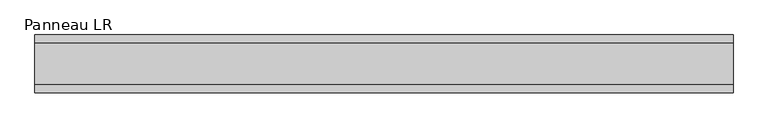
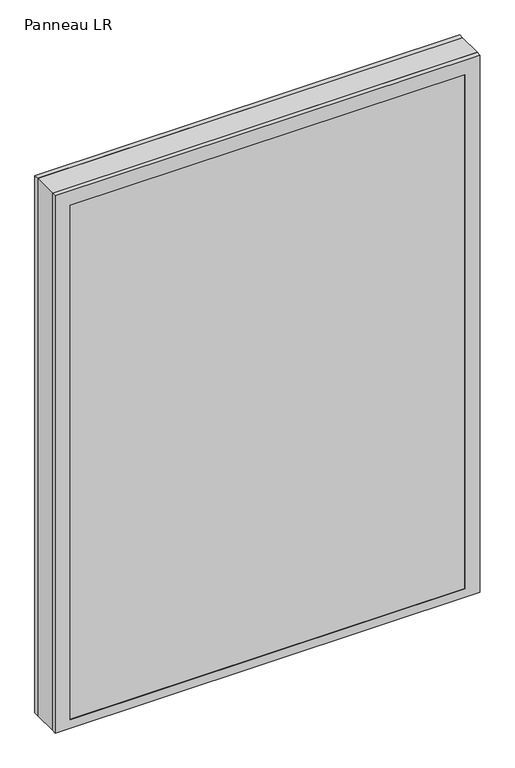
"""IFC4 building model written with IfcOpenShell, lengths in millimetres: plate geometry, Panneau LR."""

from ifc_helpers import new_model, si_unit, frame, origin, place, context, project, spatial, polyline, outline, extrude, faceted_brep, source, transform, mapped, element, save


def panneau_lr_f3e24894(model_context):
    return source(origin(), model_context, "Body", "SolidModel", [
        faceted_brep([(-544.1875001, 33.0, 1453.5), (-544.1875001, 45.0, 1453.5), (-544.1875001, 45.0, 0.0), (-544.1875001, 33.0, 0.0), (544.1875001, 33.0, 0.0), (544.1875001, 45.0, 0.0), (544.1875001, 45.0, 1453.5), (544.1875001, 33.0, 1453.5), (-505.1875001, 45.0, 1414.5), (-505.1875001, 45.0, 23.0), (505.1875001, 45.0, 23.0), (505.1875001, 45.0, 1414.5), (505.1875001, 43.8, 1414.5), (-505.1875001, 43.8, 1414.5), (-520.1875001, 43.8, 1429.5), (-520.1875001, 43.8, 8.0), (520.1875001, 43.8, 8.0), (520.1875001, 43.8, 1429.5), (505.1875001, 43.8, 23.0), (-505.1875001, 43.8, 23.0), (520.1875001, 33.0, 1429.5), (-520.1875001, 33.0, 1429.5), (520.1875001, 33.0, 8.0), (-520.1875001, 33.0, 8.0)], [[[0, 1, 2, 3]], [[4, 5, 6, 7]], [[6, 1, 0, 7]], [[2, 1, 6, 5], [8, 9, 10, 11]], [[8, 11, 12, 13]], [[14, 15, 16, 17], [13, 12, 18, 19]], [[14, 17, 20, 21]], [[0, 3, 4, 7], [20, 22, 23, 21]], [[23, 22, 16, 15]], [[19, 18, 10, 9]], [[4, 3, 2, 5]], [[21, 23, 15, 14]], [[13, 19, 9, 8]], [[18, 12, 11, 10]], [[22, 20, 17, 16]]]),
        faceted_brep([(-544.1875001, -33.0, 0.0), (-544.1875001, -45.0, 0.0), (-544.1875001, -45.0, 1453.5), (-544.1875001, -33.0, 1453.5), (544.1875001, -45.0, 0.0), (544.1875001, -33.0, 0.0), (544.1875001, -33.0, 1453.5), (544.1875001, -45.0, 1453.5), (505.1875001, -45.0, 1414.5), (505.1875001, -45.0, 23.0), (-505.1875001, -45.0, 23.0), (-505.1875001, -45.0, 1414.5), (-520.1875001, -33.0, 1429.5), (-520.1875001, -33.0, 8.0), (520.1875001, -33.0, 8.0), (520.1875001, -33.0, 1429.5), (520.1875001, -43.8, 1429.5), (-520.1875001, -43.8, 1429.5), (520.1875001, -43.8, 8.0), (-520.1875001, -43.8, 8.0), (-505.1875001, -43.8, 1414.5), (-505.1875001, -43.8, 23.0), (505.1875001, -43.8, 23.0), (505.1875001, -43.8, 1414.5)], [[[0, 1, 2, 3]], [[4, 5, 6, 7]], [[2, 1, 4, 7], [8, 9, 10, 11]], [[6, 3, 2, 7]], [[0, 3, 6, 5], [12, 13, 14, 15]], [[12, 15, 16, 17]], [[17, 16, 18, 19], [20, 21, 22, 23]], [[8, 11, 20, 23]], [[10, 9, 22, 21]], [[19, 18, 14, 13]], [[4, 1, 0, 5]], [[11, 10, 21, 20]], [[17, 19, 13, 12]], [[18, 16, 15, 14]], [[9, 8, 23, 22]]]),
        extrude(outline(polyline([(1453.5, 544.1875001), (1453.5, -544.1875001), (0.0, -544.1875001), (0.0, 544.1875001), (1453.5, 544.1875001)]), holes=[polyline([(30.0, -504.1875001), (1407.5, -504.1875001), (1407.5, 504.1875001), (30.0, 504.1875001), (30.0, -504.1875001)])]), frame((0.0, -33.0, 0.0), z_axis=(0.0, 1.0, 0.0), x_axis=(0.0, 0.0, 1.0)), (0.0, 0.0, 1.0), 66.0),
        extrude(outline(polyline([(520.1875001, 37.8), (-520.1875001, 37.8), (-520.1875001, 43.8), (520.1875001, 43.8), (520.1875001, 37.8)])), frame((0.0, 0.0, 8.0), z_axis=(0.0, 0.0, 1.0), x_axis=(1.0, 0.0, 0.0)), (0.0, 0.0, 1.0), 1421.5),
        extrude(outline(polyline([(-520.1875001, -43.8), (-520.1875001, -37.8), (520.1875001, -37.8), (520.1875001, -43.8), (-520.1875001, -43.8)])), frame((0.0, 0.0, 8.0), z_axis=(0.0, 0.0, 1.0), x_axis=(1.0, 0.0, 0.0)), (0.0, 0.0, 1.0), 1421.5),
    ])


if __name__ == "__main__":
    model = new_model("IFC4")
    model_context = context("Model", 3, world=origin())
    ifc_project = project(units=[si_unit("LENGTHUNIT", "METRE", prefix="MILLI")], contexts=[model_context])
    site = spatial("IfcSite", under=ifc_project)
    building = spatial("IfcBuilding", under=site)
    placement = place(None, origin())
    panneau_lr_shape = panneau_lr_f3e24894(model_context)
    element("IfcPlate", 1, ObjectType="Panneau LR", at=placement, inside=building, context=model_context, shape_type="MappedRepresentation", body=[
        mapped(panneau_lr_shape, transform((0.0, 0.0, 0.0), x_axis=(1.0, 0.0, 0.0), y_axis=(0.0, 1.0, 0.0), z_axis=(0.0, 0.0, 1.0))),
    ])
    save(model, "model.ifc")
